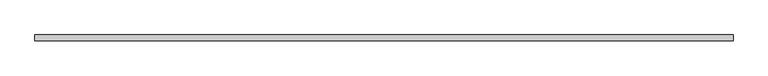
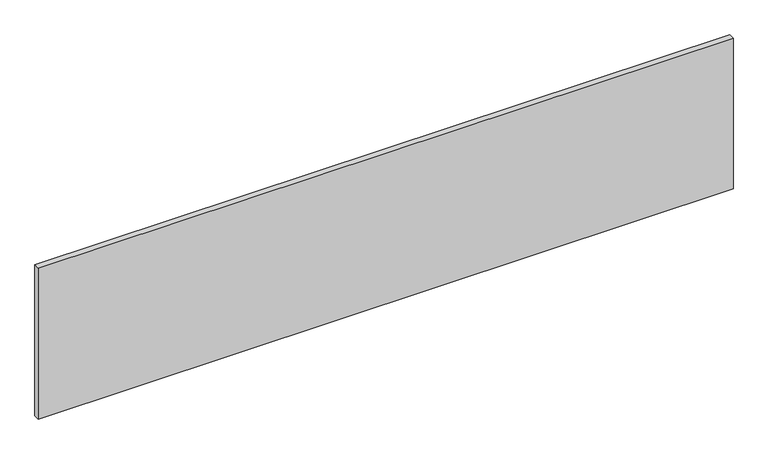
"""IFC4 building model written with IfcOpenShell, lengths in millimetres: furniture geometry."""

import ifcopenshell
import ifcopenshell.guid

model = None  # the IFC model being written
_history = None  # IfcOwnerHistory: only IFC2X3 demands one
_inside = {}  # id of a spatial element -> (the spatial element, [elements in it])
_under = {}  # id of a project, library or spatial element -> (it, [spatial elements below it])
_declared = {}  # id of a project -> (the project, [libraries it declares])
_typed = {}  # id of a type object -> (the type object, [elements of that type])
_made_of = {}  # id of a material, layer set ... -> (it, [elements and type objects made of it])


def new_model(schema):
    """Start an empty IFC model of exactly this schema.

    Asked for "IFC4X3", IfcOpenShell would pick the latest addendum, in which some entities
    have other attributes; the version numbers below select the first issue.
    IFC2X3 requires an IfcOwnerHistory on every rooted entity: one is made here for all.
    """
    global model, _history
    if schema == "IFC4X3":
        model = ifcopenshell.file(schema_version=(4, 3, 0, 0))
    else:
        model = ifcopenshell.file(schema=schema)
    _inside.clear()
    _under.clear()
    _declared.clear()
    _typed.clear()
    _made_of.clear()
    _history = None
    if model.schema == "IFC2X3":
        org = make("IfcOrganization", Name="unknown")
        user = make(
            "IfcPersonAndOrganization",
            ThePerson=make("IfcPerson", FamilyName="unknown"),
            TheOrganization=org,
        )
        app = make(
            "IfcApplication",
            ApplicationDeveloper=org,
            Version="unknown",
            ApplicationFullName="unknown",
            ApplicationIdentifier="unknown",
        )
        _history = make(
            "IfcOwnerHistory",
            OwningUser=user,
            OwningApplication=app,
            ChangeAction="ADDED",
            CreationDate=0,
        )
    return model


def make(cls, **values):
    """One entity of the class cls with the attributes given. An attribute that is None is left unset."""
    return model.create_entity(
        cls, **{name: value for name, value in values.items() if value is not None}
    )


def rooted(cls, **values):
    """An entity with a GlobalId (a new one), such as an element, a storey or a relation."""
    return make(cls, GlobalId=ifcopenshell.guid.new(), OwnerHistory=_history, **values)


def si_unit(unit_type, name, prefix=None):
    """IfcSIUnit, for example si_unit("LENGTHUNIT", "METRE", prefix="MILLI")."""
    return make("IfcSIUnit", UnitType=unit_type, Prefix=prefix, Name=name)


def assignment(units):
    """IfcUnitAssignment: the units of a project."""
    return None if units is None else make("IfcUnitAssignment", Units=units)


def point(xyz):
    """IfcCartesianPoint."""
    return None if xyz is None else make("IfcCartesianPoint", Coordinates=xyz)


def direction(xyz):
    """IfcDirection."""
    return None if xyz is None else make("IfcDirection", DirectionRatios=xyz)


def frame(location, z_axis=None, x_axis=None):
    """IfcAxis2Placement3D, a coordinate frame: its origin and axes. An axis left out is left unset."""
    return make(
        "IfcAxis2Placement3D",
        Location=point(location),
        Axis=direction(z_axis),
        RefDirection=direction(x_axis),
    )


def origin():
    """The frame at (0, 0, 0) with its axes left unset."""
    return frame((0.0, 0.0, 0.0))


def place(relative_to, where):
    """IfcLocalPlacement: puts the frame where relative to a parent placement (None: the world)."""
    return make(
        "IfcLocalPlacement", PlacementRelTo=relative_to, RelativePlacement=where
    )


def context(
    kind, dimensions, precision=None, world=None, true_north=None, identifier=None
):
    """IfcGeometricRepresentationContext, for example the 3D "Model" context."""
    return make(
        "IfcGeometricRepresentationContext",
        ContextIdentifier=identifier,
        ContextType=kind,
        CoordinateSpaceDimension=dimensions,
        Precision=precision,
        WorldCoordinateSystem=world,
        TrueNorth=true_north,
    )


def project(units=None, contexts=None):
    """IfcProject with its units and contexts."""
    return rooted(
        "IfcProject",
        Name="project",
        RepresentationContexts=contexts,
        UnitsInContext=assignment(units),
    )


def spatial(cls, under=None, at=None, **own):
    """A site, building, storey or space (cls), placed at a placement, below another one or the project."""
    s = rooted(cls, ObjectPlacement=at, **own)
    if under is not None:
        _under.setdefault(under.id(), (under, []))[1].append(s)
    return s


def polyline(points):
    """IfcPolyline through the points."""
    return make("IfcPolyline", Points=[point(p) for p in points])


def outline(outer, holes=None, kind="AREA"):
    """IfcArbitraryClosedProfileDef: a profile drawn as a closed curve; with holes, ...WithVoids."""
    if holes is None:
        return make("IfcArbitraryClosedProfileDef", ProfileType=kind, OuterCurve=outer)
    return make(
        "IfcArbitraryProfileDefWithVoids",
        ProfileType=kind,
        OuterCurve=outer,
        InnerCurves=holes,
    )


def extrude(swept, where, along, depth):
    """IfcExtrudedAreaSolid: the profile swept, set in the frame where, extruded along a direction by depth."""
    return make(
        "IfcExtrudedAreaSolid",
        SweptArea=swept,
        Position=where,
        ExtrudedDirection=direction(along),
        Depth=depth,
    )


def shape(context_of_items, identifier, shape_type, items):
    """IfcShapeRepresentation: the items that make up one representation, for example the "Body"."""
    return make(
        "IfcShapeRepresentation",
        ContextOfItems=context_of_items,
        RepresentationIdentifier=identifier,
        RepresentationType=shape_type,
        Items=items,
    )


def source(mapping_origin, context_of_items, identifier, shape_type, items):
    """IfcRepresentationMap: a shape defined once, which mapped items show again and again."""
    return make(
        "IfcRepresentationMap",
        MappingOrigin=mapping_origin,
        MappedRepresentation=shape(context_of_items, identifier, shape_type, items),
    )


def transform(
    local_origin,
    x_axis=None,
    y_axis=None,
    z_axis=None,
    scale=None,
    scale2=None,
    scale3=None,
    uniform=True,
):
    """IfcCartesianTransformationOperator3D, or its non-uniform kind. x_axis, y_axis, z_axis: its Axis1, 2, 3."""
    if uniform:
        return make(
            "IfcCartesianTransformationOperator3D",
            Axis1=direction(x_axis),
            Axis2=direction(y_axis),
            LocalOrigin=point(local_origin),
            Scale=scale,
            Axis3=direction(z_axis),
        )
    return make(
        "IfcCartesianTransformationOperator3DnonUniform",
        Axis1=direction(x_axis),
        Axis2=direction(y_axis),
        LocalOrigin=point(local_origin),
        Scale=scale,
        Axis3=direction(z_axis),
        Scale2=scale2,
        Scale3=scale3,
    )


def mapped(mapping_source, mapping_target):
    """IfcMappedItem: shows the shape of a source again, moved by a transform."""
    return make(
        "IfcMappedItem", MappingSource=mapping_source, MappingTarget=mapping_target
    )


def made_of(thing, what):
    """Note that an element or type object is made of a material, layer set ...; save() writes the relation."""
    if what is not None:
        _made_of.setdefault(what.id(), (what, []))[1].append(thing)
    return thing


def element(
    cls,
    number,
    at=None,
    inside=None,
    cuts=None,
    type_object=None,
    material=None,
    context=None,
    identifier="Body",
    shape_type=None,
    held_by="IfcProductDefinitionShape",
    body=None,
    shapes=None,
    **own,
):
    """One element of the class cls, such as IfcWall. Its Tag is "e" and its number.

    at: its placement. inside: the storey or other place that contains it. cuts: it is an
    opening in that element (IfcRelVoidsElement). A single representation is given by context,
    identifier, shape_type and body (its items); several are given by shapes. held_by: the class
    of the entity that holds the representations. save() writes the other relations.
    """
    e = rooted(cls, Tag="e%d" % number, ObjectPlacement=at, **own)
    if body is not None:
        shapes = [shape(context, identifier, shape_type, body)]
    if shapes is not None:
        e.Representation = make(held_by, Representations=shapes)
    if inside is not None:
        _inside.setdefault(inside.id(), (inside, []))[1].append(e)
    if cuts is not None:
        rooted(
            "IfcRelVoidsElement", RelatingBuildingElement=cuts, RelatedOpeningElement=e
        )
    if type_object is not None:
        _typed.setdefault(type_object.id(), (type_object, []))[1].append(e)
    return made_of(e, material)


def aggregate(whole, parts):
    """IfcRelAggregates: a whole, such as a stair, and the parts it consists of."""
    return rooted("IfcRelAggregates", RelatingObject=whole, RelatedObjects=parts)


def save(model, path):
    """Write the relations noted so far, then the file.

    IfcRelAggregates (storeys below a building ...), IfcRelContainedInSpatialStructure (elements
    in a storey), IfcRelDefinesByType, IfcRelAssociatesMaterial and IfcRelDeclares: one each for
    every whole, place, type object, material and project.
    """
    for whole, parts in _under.values():
        aggregate(whole, parts)
    for where, things in _inside.values():
        rooted(
            "IfcRelContainedInSpatialStructure",
            RelatedElements=things,
            RelatingStructure=where,
        )
    for kind, things in _typed.values():
        rooted("IfcRelDefinesByType", RelatedObjects=things, RelatingType=kind)
    for what, things in _made_of.values():
        rooted("IfcRelAssociatesMaterial", RelatedObjects=things, RelatingMaterial=what)
    for by, libraries in _declared.values():
        rooted("IfcRelDeclares", RelatingContext=by, RelatedDefinitions=libraries)
    model.write(path)


def furniture_d3641803(model_context):
    return source(origin(), model_context, "Body", "SweptSolid", [
        extrude(outline(polyline([(2437.7994553, 23.9700054), (0.59944, 23.9700054), (0.59944, 44.5440062), (2437.7994553, 44.5440062), (2437.7994553, 23.9700054)])), frame((0.0, 0.0, 139.700003), z_axis=(0.0, 0.0, 1.0), x_axis=(1.0, 0.0, 0.0)), (0.0, 0.0, 1.0), 558.8000212),
    ])


if __name__ == "__main__":
    model = new_model("IFC4")
    model_context = context("Model", 3, world=origin())
    ifc_project = project(units=[si_unit("LENGTHUNIT", "METRE", prefix="MILLI")], contexts=[model_context])
    site = spatial("IfcSite", under=ifc_project)
    building = spatial("IfcBuilding", under=site)
    placement = place(None, origin())
    furniture_shape = furniture_d3641803(model_context)
    element("IfcFurniture", 1, at=placement, inside=building, context=model_context, shape_type="MappedRepresentation", body=[
        mapped(furniture_shape, transform((0.0, 0.0, 0.0), x_axis=(1.0, 0.0, 0.0), y_axis=(0.0, 1.0, 0.0), z_axis=(0.0, 0.0, 1.0))),
    ])
    save(model, "model.ifc")
